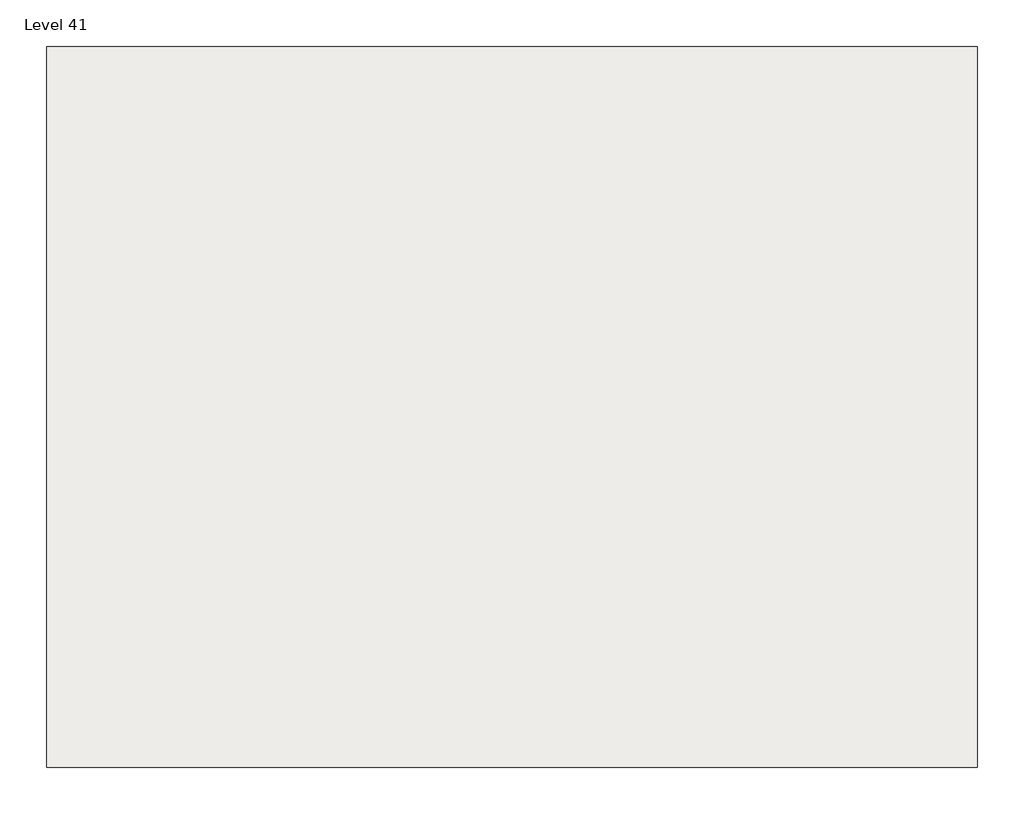
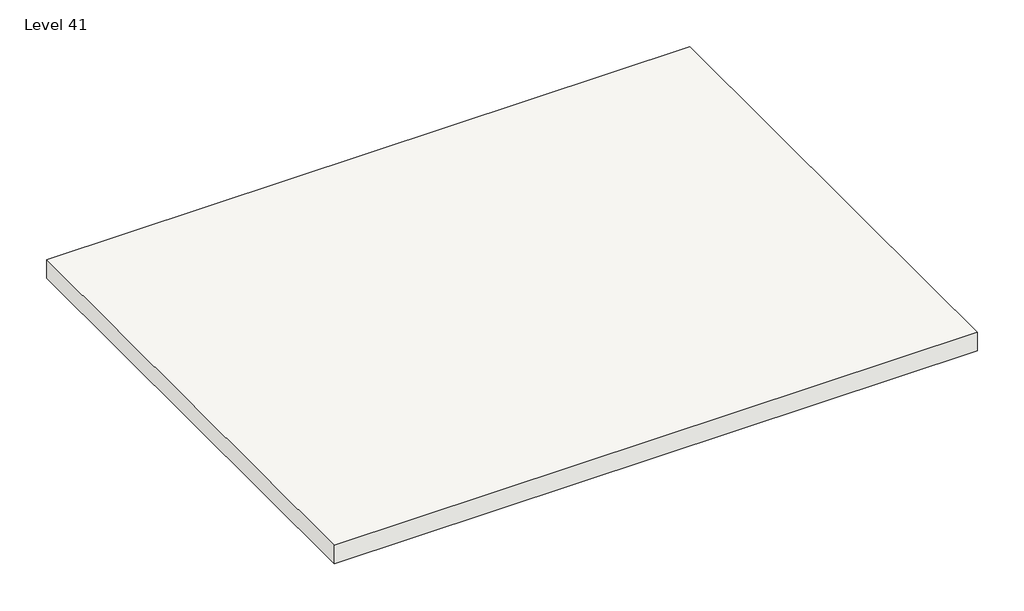
# One storey, part 1 of 2: 1 roof.
"""IFC4 building model written with IfcOpenShell, lengths in millimetres."""

from ifc_helpers import new_model, si_unit, frame, origin, place, context, project, spatial, polyline, outline, extrude, element, save

model = new_model("IFC4")

# Units and contexts
model_context = context("Model", 3, world=origin())
ifc_project = project(units=[si_unit("LENGTHUNIT", "METRE", prefix="MILLI")], contexts=[model_context])

# Site, building, storey
site = spatial("IfcSite", under=ifc_project)
building = spatial("IfcBuilding", under=site)
storey = spatial("IfcBuildingStorey", under=building, Name="Level 41", Elevation=14579.6)

# Roof
placement = place(None, origin())
element("IfcRoof", 1, at=placement, inside=storey, context=model_context, shape_type="SweptSolid", body=[
    extrude(outline(polyline([(-7397.6168592, 10889.5313525), (-12376.0168592, 10889.5313525), (-12376.0168592, 14746.4049764), (-7397.6168592, 14746.4049764), (-7397.6168592, 11499.1313525), (-7397.6168592, 10889.5313525)])), frame((0.0, 0.0, 14579.6), z_axis=(0.0, 0.0, 1.0), x_axis=(1.0, 0.0, 0.0)), (0.0, 0.0, 1.0), 152.4),
])

save(model, "model.ifc")
